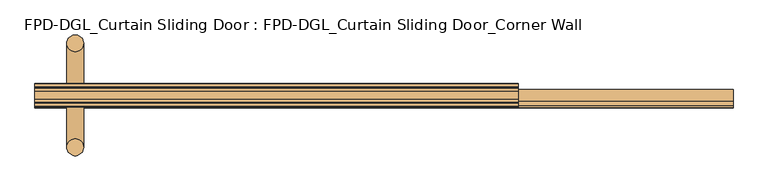
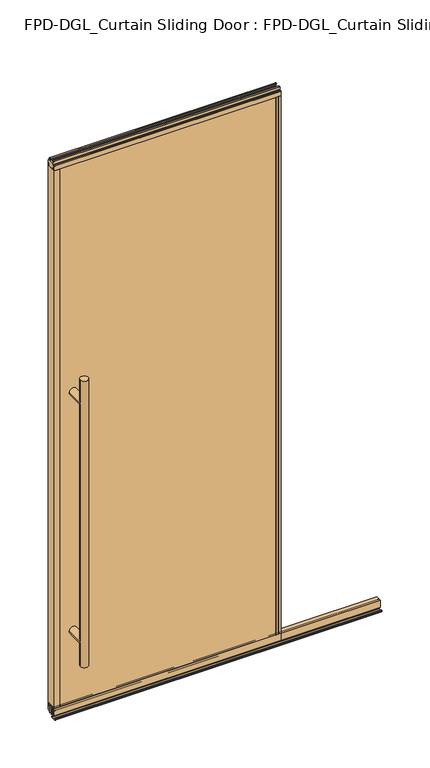
"""IFC4 building model written with IfcOpenShell, lengths in millimetres: door geometry, FPD-DGL_Curtain Sliding Door : FPD-DGL_Curtain Sliding Door_Corner Wall."""

from ifc_helpers import new_model, si_unit, point, frame, frame_2d, origin, place, context, project, spatial, polyline, circle_curve, ellipse_curve, trimmed, segment, composite_curve, outline, extrude, source, transform, mapped, element, save
from ifc_brep_helpers import plane_surface, cylinder_surface, advanced_brep


def fpd_dgl_curtain_sliding_door_fpd_dgl_curtain_sliding_door_e9ce6ea1(model_context):
    return source(origin(), model_context, "Body", "SolidModel", [
        advanced_brep(
        [(-364.728125, -28.778049, 1473.2), (-396.478125, -28.778049, 1473.2), (-364.728125, 168.4469566, 1473.2), (-396.478125, 168.4469566, 1473.2), (-364.728125, -28.778049, 254.0), (-396.478125, -28.778049, 254.0), (-364.728125, 168.4469566, 254.0), (-396.478125, 168.4469566, 254.0), (-364.728125, -28.778049, 1371.6), (-396.478125, -28.778049, 1371.6), (-396.478125, -28.778049, 355.6), (-364.728125, -28.778049, 355.6), (-364.728125, 168.4469566, 1371.6), (-364.728125, 168.4469566, 355.6), (-396.478125, 168.4469566, 355.6), (-396.478125, 168.4469566, 1371.6)],
        [
            (0, 1, circle_curve(frame((-380.603125, -28.778049, 1473.2), z_axis=(0.0, 0.0, 1.0), x_axis=(-1.0, 0.0, 0.0)), 15.875)),
            (1, 0, circle_curve(frame((-380.603125, -28.778049, 1473.2), z_axis=(0.0, 0.0, 1.0), x_axis=(-1.0, 0.0, 0.0)), 15.875)),
            (2, 3, circle_curve(frame((-380.603125, 168.4469566, 1473.2), z_axis=(0.0, 0.0, 1.0), x_axis=(-1.0, 0.0, 0.0)), 15.875)),
            (3, 2, circle_curve(frame((-380.603125, 168.4469566, 1473.2), z_axis=(0.0, 0.0, 1.0), x_axis=(-1.0, 0.0, 0.0)), 15.875)),
            (4, 5, circle_curve(frame((-380.603125, -28.778049, 254.0), z_axis=(0.0, 0.0, -1.0), x_axis=(-1.0, 0.0, 0.0)), 15.875)),
            (5, 4, circle_curve(frame((-380.603125, -28.778049, 254.0), z_axis=(0.0, 0.0, -1.0), x_axis=(-1.0, 0.0, 0.0)), 15.875)),
            (6, 7, circle_curve(frame((-380.603125, 168.4469566, 254.0), z_axis=(0.0, 0.0, -1.0), x_axis=(-1.0, 0.0, 0.0)), 15.875)),
            (7, 6, circle_curve(frame((-380.603125, 168.4469566, 254.0), z_axis=(0.0, 0.0, -1.0), x_axis=(-1.0, 0.0, 0.0)), 15.875)),
            (0, 8),
            (8, 9, ellipse_curve(frame((-380.603125, -28.778049, 1371.6), z_axis=(0.0, -0.7071067811865525, 0.7071067811865427), x_axis=(0.0, 0.7071067811865427, 0.7071067811865523)), 22.4506403, 15.875)),
            (9, 1),
            (5, 10),
            (10, 11, ellipse_curve(frame((-380.603125, -28.778049, 355.6), z_axis=(0.0, -0.7071067811865525, -0.7071067811865427), x_axis=(0.0, -0.7071067811865427, 0.7071067811865523)), 22.4506403, 15.875)),
            (11, 4),
            (8, 11),
            (11, 10, ellipse_curve(frame((-380.603125, -28.778049, 355.6), z_axis=(0.0, -0.7071067811865427, 0.7071067811865525), x_axis=(0.0, 0.7071067811865525, 0.7071067811865425)), 22.4506403, 15.875)),
            (10, 9),
            (9, 8, ellipse_curve(frame((-380.603125, -28.778049, 1371.6), z_axis=(0.0, -0.7071067811865427, -0.7071067811865525), x_axis=(0.0, -0.7071067811865525, 0.7071067811865425)), 22.4506403, 15.875)),
            (2, 12),
            (12, 13),
            (13, 6),
            (7, 14),
            (14, 15),
            (15, 3),
            (15, 12, ellipse_curve(frame((-380.603125, 168.4469566, 1371.6), z_axis=(0.0, 0.7071067811865427, 0.7071067811865525), x_axis=(0.0, -0.7071067811865525, 0.7071067811865425)), 22.4506403, 15.875)),
            (13, 14, ellipse_curve(frame((-380.603125, 168.4469566, 355.6), z_axis=(0.0, 0.7071067811865427, -0.7071067811865525), x_axis=(0.0, 0.7071067811865525, 0.7071067811865425)), 22.4506403, 15.875)),
            (12, 15, ellipse_curve(frame((-380.603125, 168.4469566, 1371.6), z_axis=(0.0, 0.7071067811865525, -0.7071067811865427), x_axis=(0.0, 0.7071067811865427, 0.7071067811865523)), 22.4506403, 15.875)),
            (14, 13, ellipse_curve(frame((-380.603125, 168.4469566, 355.6), z_axis=(0.0, 0.7071067811865525, 0.7071067811865427), x_axis=(0.0, -0.7071067811865427, 0.7071067811865523)), 22.4506403, 15.875)),
            (9, 15),
            (12, 8),
            (10, 14),
            (13, 11),
        ],
        [
            plane_surface(frame((-281.4957243, 69.85, 1473.2), z_axis=(0.0, 0.0, 1.0), x_axis=(0.0, -1.0, 0.0))),
            plane_surface(frame((-281.4957243, 69.85, 254.0), z_axis=(0.0, 0.0, -1.0), x_axis=(0.0, -1.0, 0.0))),
            cylinder_surface(frame((-380.603125, -28.778049, 1473.2), z_axis=(0.0, 0.0, 1.0), x_axis=(-1.0, 0.0, 0.0)), 15.875),
            cylinder_surface(frame((-380.603125, 168.4469566, 1473.2), z_axis=(0.0, 0.0, 1.0), x_axis=(-1.0, 0.0, 0.0)), 15.875),
            cylinder_surface(frame((-380.603125, 168.4469566, 1371.6), z_axis=(0.0, -1.0, 0.0), x_axis=(1.0, 0.0, 0.0)), 15.875),
            cylinder_surface(frame((-380.603125, 69.85, 355.6), z_axis=(0.0, -1.0, 0.0), x_axis=(1.0, 0.0, 0.0)), 15.875),
        ],
        [
            (0, [[1, 2]]),
            (0, [[3, 4]]),
            (1, [[5, 6]]),
            (1, [[7, 8]]),
            (2, [[-1, 9, 10, 11]]),
            (2, [[-6, 12, 13, 14]]),
            (2, [[15, 16, 17, 18]]),
            (2, [[-2, -11, -17, -12, -5, -14, -15, -9]]),
            (3, [[-3, 19, 20, 21, -8, 22, 23, 24]]),
            (3, [[-4, -24, 25, -19]]),
            (3, [[-7, -21, 26, -22]]),
            (3, [[-20, 27, -23, 28]]),
            (4, [[29, -27, 30, -18]]),
            (4, [[-29, -10, -30, -25]]),
            (5, [[31, -26, 32, -13]]),
            (5, [[-31, -16, -32, -28]]),
        ],
    ),
        extrude(outline(composite_curve([segment(trimmed(circle_curve(frame_2d((64.8685794, 1.1714386)), 1.1684), [point((66.0369794, 1.1714386))], [point((64.8685794, 0.0030387))], False, "CARTESIAN"), True, "CONTINUOUS"), segment(polyline([(64.8685794, 0.0030387), (47.1901797, 0.0030387)]), True, "CONTINUOUS"), segment(trimmed(circle_curve(frame_2d((47.1901797, 1.1714386)), 1.1684), [point((47.1901797, 0.0030387))], [point((46.0217797, 1.1714386))], False, "CARTESIAN"), True, "CONTINUOUS"), segment(polyline([(46.0217797, 1.1714386), (46.0217797, 4.0416386)]), True, "CONTINUOUS"), segment(trimmed(circle_curve(frame_2d((47.1901797, 4.0416386)), 1.1684), [point((46.0217797, 4.0416386))], [point((47.1901797, 5.2100386))], False, "CARTESIAN"), True, "CONTINUOUS"), segment(polyline([(47.1901797, 5.2100386), (49.7788569, 5.2100386), (49.7788569, 4.4232339), (46.7837797, 4.4232339), (46.7837797, 0.7650387), (65.2622794, 0.7650387), (65.2622794, 4.3138948), (62.5762294, 4.3138948), (62.5762294, 5.1338386), (65.2836188, 5.1338386)]), True, "CONTINUOUS"), segment(trimmed(circle_curve(frame_2d((64.8685794, 4.0416386)), 1.1684), [point((65.2836188, 5.1338386))], [point((66.0369794, 4.0416386))], False, "CARTESIAN"), True, "CONTINUOUS"), segment(polyline([(66.0369794, 4.0416386), (66.0369794, 1.1714386)]), True, "CONTINUOUS")], self_intersect=False)), frame((-456.803125, 0.0, 0.0), z_axis=(1.0, 0.0, 0.0), x_axis=(0.0, 1.0, 0.0)), (0.0, 0.0, 1.0), 1320.00625),
        extrude(outline(composite_curve([segment(polyline([(80.8146139, 41.6030387), (80.8146139, 11.6839647), (79.8146139, 11.6839647), (79.8146139, 33.5017657), (78.4247815, 33.5017657), (78.4247815, 34.3040626), (79.8146139, 34.3040626), (79.8146139, 35.6040627), (69.0146138, 35.6040627), (69.0146138, 34.3040626), (70.4044462, 34.3040626), (70.4044462, 33.5017657), (69.0146138, 33.5017657), (69.0146138, 11.6839647), (67.4146135, 11.6839647), (67.4146135, 39.1243868)]), True, "CONTINUOUS"), segment(trimmed(circle_curve(frame_2d((66.4357402, 39.1243868)), 0.9788733), [point((67.4146135, 39.1243868))], [point((66.4357402, 40.1032601))], True, "CARTESIAN"), True, "CONTINUOUS"), segment(polyline([(66.4357402, 40.1032601), (61.3469627, 40.1032601)]), True, "CONTINUOUS"), segment(trimmed(circle_curve(frame_2d((61.3469627, 39.1709995)), 0.9322606), [point((61.3469627, 40.1032601))], [point((60.414702, 39.1709995))], True, "CARTESIAN"), True, "CONTINUOUS"), segment(polyline([(60.414702, 39.1709995), (60.414702, 11.6839647), (58.9146141, 11.6839647), (58.9146141, 41.6030387), (80.8146139, 41.6030387)]), True, "CONTINUOUS")], self_intersect=False)), frame((-456.803125, 0.0, 0.0), z_axis=(1.0, 0.0, 0.0), x_axis=(0.0, 1.0, 0.0)), (0.0, 0.0, 1.0), 1320.00625),
        extrude(outline(composite_curve([segment(polyline([(55.5258097, 48.6471016), (84.1741903, 48.6471016), (84.1741903, 47.6299627), (82.8071771, 47.6299627), (82.8071771, 41.3613764)]), True, "CONTINUOUS"), segment(trimmed(circle_curve(frame_2d((85.122652, 41.3613764)), 2.3154748), [point((82.8071771, 41.3613764))], [point((85.122652, 39.0459016))], True, "CARTESIAN"), True, "CONTINUOUS"), segment(polyline([(85.122652, 39.0459016), (90.1103754, 39.0522555)]), True, "CONTINUOUS"), segment(trimmed(circle_curve(frame_2d((90.012177, 39.8079016)), 0.762), [point((90.1103754, 39.0522555))], [point((90.774177, 39.8079016))], True, "CARTESIAN"), True, "CONTINUOUS"), segment(polyline([(90.774177, 39.8079016), (90.774177, 48.6471016), (92.0741745, 48.6471016), (92.0741745, 19.0059017), (82.9527622, 19.0059017), (82.9527622, 15.875), (81.0484721, 15.875), (81.0484721, 47.0470737), (58.6515279, 47.0470737), (58.6515279, 15.875), (56.7472378, 15.875), (56.7472378, 19.0059017), (47.6258255, 19.0059017), (47.6258255, 48.6471016), (48.925823, 48.6471016), (48.925823, 39.8079016)]), True, "CONTINUOUS"), segment(trimmed(circle_curve(frame_2d((49.687823, 39.8079016)), 0.762), [point((48.925823, 39.8079016))], [point((49.5896246, 39.0522555))], True, "CARTESIAN"), True, "CONTINUOUS"), segment(polyline([(49.5896246, 39.0522555), (54.577348, 39.0459016)]), True, "CONTINUOUS"), segment(trimmed(circle_curve(frame_2d((54.577348, 41.3613764)), 2.3154748), [point((54.577348, 39.0459016))], [point((56.8928229, 41.3613764))], True, "CARTESIAN"), True, "CONTINUOUS"), segment(polyline([(56.8928229, 41.3613764), (56.8928229, 47.6299627), (55.5258097, 47.6299627), (55.5258097, 48.6471016)]), True, "CONTINUOUS")], self_intersect=False)), frame((-456.803125, 0.0, 0.0), z_axis=(1.0, 0.0, 0.0), x_axis=(0.0, 1.0, 0.0)), (0.0, 0.0, 1.0), 913.60625),
        extrude(outline(composite_curve([segment(polyline([(61.4500175, 2373.0296458), (61.4500175, 2371.0296498), (57.8500248, 2371.0296498), (57.8500248, 2362.5296668)]), True, "CONTINUOUS"), segment(trimmed(circle_curve(frame_2d((58.3500238, 2362.5296668)), 0.499999), [point((57.8500248, 2362.5296668))], [point((58.3500238, 2362.0296678))], True, "CARTESIAN"), True, "CONTINUOUS"), segment(polyline([(58.3500238, 2362.0296678), (81.3499762, 2362.0296678)]), True, "CONTINUOUS"), segment(trimmed(circle_curve(frame_2d((81.3499762, 2362.5296668)), 0.499999), [point((81.3499762, 2362.0296678))], [point((81.8499752, 2362.5296668))], True, "CARTESIAN"), True, "CONTINUOUS"), segment(polyline([(81.8499752, 2362.5296668), (81.8499752, 2371.0296498), (78.2499825, 2371.0296498), (78.2499825, 2373.0296458), (83.2546588, 2373.0296458)]), True, "CONTINUOUS"), segment(trimmed(circle_curve(frame_2d((83.2546588, 2372.4343333)), 0.5953125), [point((83.2546588, 2373.0296458))], [point((83.8499713, 2372.4343333))], False, "CARTESIAN"), True, "CONTINUOUS"), segment(polyline([(83.8499713, 2372.4343333), (83.8499713, 2361.0663317)]), True, "CONTINUOUS"), segment(trimmed(circle_curve(frame_2d((85.7690752, 2361.0663317)), 1.919104), [point((83.8499713, 2361.0663317))], [point((85.7690752, 2359.1472277))], True, "CARTESIAN"), True, "CONTINUOUS"), segment(polyline([(85.7690752, 2359.1472277), (91.2749567, 2359.1472277)]), True, "CONTINUOUS"), segment(trimmed(circle_curve(frame_2d((91.2749567, 2358.3472293)), 0.7999984), [point((91.2749567, 2359.1472277))], [point((92.0749551, 2358.3472293))], False, "CARTESIAN"), True, "CONTINUOUS"), segment(polyline([(92.0749551, 2358.3472293), (92.0749551, 2339.4622278), (90.7749577, 2339.4622278), (90.7749577, 2349.5622078)]), True, "CONTINUOUS"), segment(trimmed(circle_curve(frame_2d((90.2749587, 2349.5622078)), 0.499999), [point((90.7749577, 2349.5622078))], [point((90.2749587, 2350.0622068))], True, "CARTESIAN"), True, "CONTINUOUS"), segment(polyline([(90.2749587, 2350.0622068), (84.1749714, 2350.0622068), (84.1749714, 2339.4622278), (55.5250289, 2339.4622278), (55.5250289, 2350.0622068), (49.4250413, 2350.0622068)]), True, "CONTINUOUS"), segment(trimmed(circle_curve(frame_2d((49.4250413, 2349.5622078)), 0.499999), [point((49.4250413, 2350.0622068))], [point((48.9250423, 2349.5622078))], True, "CARTESIAN"), True, "CONTINUOUS"), segment(polyline([(48.9250423, 2349.5622078), (48.9250423, 2339.4622278), (47.6250446, 2339.4622278), (47.6250446, 2358.3472293)]), True, "CONTINUOUS"), segment(trimmed(circle_curve(frame_2d((48.4250432, 2358.3472293)), 0.7999985), [point((47.6250446, 2358.3472293))], [point((48.4250432, 2359.1472278))], False, "CARTESIAN"), True, "CONTINUOUS"), segment(polyline([(48.4250432, 2359.1472278), (53.9309248, 2359.1472278)]), True, "CONTINUOUS"), segment(trimmed(circle_curve(frame_2d((53.9309248, 2361.0663318)), 1.919104), [point((53.9309248, 2359.1472278))], [point((55.8500287, 2361.0663318))], True, "CARTESIAN"), True, "CONTINUOUS"), segment(polyline([(55.8500287, 2361.0663318), (55.8500287, 2372.4343333)]), True, "CONTINUOUS"), segment(trimmed(circle_curve(frame_2d((56.4453412, 2372.4343333)), 0.5953125), [point((55.8500287, 2372.4343333))], [point((56.4453412, 2373.0296458))], False, "CARTESIAN"), True, "CONTINUOUS"), segment(polyline([(56.4453412, 2373.0296458), (61.4500175, 2373.0296458)]), True, "CONTINUOUS")], self_intersect=False)), frame((-456.803125, 0.0, 0.0), z_axis=(1.0, 0.0, 0.0), x_axis=(0.0, 1.0, 0.0)), (0.0, 0.0, 1.0), 913.60625),
        extrude(outline(polyline([(446.8662761, 90.7765993), (446.8662761, 84.175), (-446.8662761, 84.175), (-446.8662761, 90.7765993), (446.8662761, 90.7765993)])), frame((0.0, 0.0, 39.1580021), z_axis=(0.0, 0.0, 1.0), x_axis=(1.0, 0.0, 0.0)), (0.0, 0.0, 1.0), 2310.6376625),
        extrude(outline(polyline([(-446.8662761, 55.525), (446.8662761, 55.525), (446.8662761, 48.9234007), (-446.8662761, 48.9234007), (-446.8662761, 55.525)])), frame((0.0, 0.0, 39.1580021), z_axis=(0.0, 0.0, 1.0), x_axis=(1.0, 0.0, 0.0)), (0.0, 0.0, 1.0), 2310.6376625),
        extrude(outline(composite_curve([segment(polyline([(-456.803125, 92.075), (-436.2662761, 92.075), (-436.2662761, 90.7765993), (-446.3582761, 90.7765993)]), True, "CONTINUOUS"), segment(trimmed(circle_curve(frame_2d((-446.3582761, 90.2685993)), 0.508), [point((-446.3582761, 90.7765993))], [point((-446.8662761, 90.2685993))], True, "CARTESIAN"), True, "CONTINUOUS"), segment(polyline([(-446.8662761, 90.2685993), (-446.8662761, 88.2904), (-448.0662759, 88.2904), (-448.0662759, 90.7702), (-454.9997249, 90.7702), (-454.9997249, 79.095198), (-448.0662759, 79.095198), (-448.0662759, 84.175), (-436.2662761, 84.175), (-436.2662761, 55.525), (-448.0662759, 55.525), (-448.0662759, 60.604802), (-454.9997249, 60.604802), (-454.9997249, 48.9298), (-448.0662759, 48.9298), (-448.0662759, 51.4096), (-446.8662761, 51.4096), (-446.8662761, 49.4525937)]), True, "CONTINUOUS"), segment(trimmed(circle_curve(frame_2d((-446.3370824, 49.4525937)), 0.5291937), [point((-446.8662761, 49.4525937))], [point((-446.3370824, 48.9234))], True, "CARTESIAN"), True, "CONTINUOUS"), segment(polyline([(-446.3370824, 48.9234), (-436.2662761, 48.9234), (-436.2662761, 47.625), (-456.803125, 47.625), (-456.803125, 92.075)]), True, "CONTINUOUS")], self_intersect=False)), frame((0.0, 0.0, 48.6471016), z_axis=(0.0, 0.0, 1.0), x_axis=(1.0, 0.0, 0.0)), (0.0, 0.0, 1.0), 2290.8151262),
        extrude(outline(composite_curve([segment(polyline([(456.803125, 92.075), (456.803125, 47.625), (436.266276, 47.625), (436.266276, 48.9234), (446.3370824, 48.9234)]), True, "CONTINUOUS"), segment(trimmed(circle_curve(frame_2d((446.3370824, 49.4525937)), 0.5291937), [point((446.3370824, 48.9234))], [point((446.8662761, 49.4525937))], True, "CARTESIAN"), True, "CONTINUOUS"), segment(polyline([(446.8662761, 49.4525937), (446.8662761, 51.4096), (448.0662759, 51.4096), (448.0662759, 48.9298), (454.9997249, 48.9298), (454.9997249, 60.604802), (448.0662759, 60.604802), (448.0662759, 55.525), (436.2662761, 55.525), (436.2662761, 84.175), (448.0662759, 84.175), (448.0662759, 79.095198), (454.9997249, 79.095198), (454.9997249, 90.7702), (448.0662759, 90.7702), (448.0662759, 88.2904), (446.8662761, 88.2904), (446.8662761, 90.2685993)]), True, "CONTINUOUS"), segment(trimmed(circle_curve(frame_2d((446.3582761, 90.2685993)), 0.508), [point((446.8662761, 90.2685993))], [point((446.3582761, 90.7765993))], True, "CARTESIAN"), True, "CONTINUOUS"), segment(polyline([(446.3582761, 90.7765993), (436.2662761, 90.7765993), (436.2662761, 92.075), (456.803125, 92.075)]), True, "CONTINUOUS")], self_intersect=False)), frame((0.0, 0.0, 48.6471016), z_axis=(0.0, 0.0, 1.0), x_axis=(1.0, 0.0, 0.0)), (0.0, 0.0, 1.0), 2290.8151262),
    ])


if __name__ == "__main__":
    model = new_model("IFC4")
    model_context = context("Model", 3, world=origin())
    ifc_project = project(units=[si_unit("LENGTHUNIT", "METRE", prefix="MILLI")], contexts=[model_context])
    site = spatial("IfcSite", under=ifc_project)
    building = spatial("IfcBuilding", under=site)
    placement = place(None, origin())
    fpd_dgl_curtain_sliding_door_fpd_dgl_curtain_sliding_door_shape = fpd_dgl_curtain_sliding_door_fpd_dgl_curtain_sliding_door_e9ce6ea1(model_context)
    element("IfcDoor", 1, ObjectType="FPD-DGL_Curtain Sliding Door : FPD-DGL_Curtain Sliding Door_Corner Wall", at=placement, inside=building, context=model_context, shape_type="MappedRepresentation", body=[
        mapped(fpd_dgl_curtain_sliding_door_fpd_dgl_curtain_sliding_door_shape, transform((0.0, 0.0, 0.0), x_axis=(1.0, 0.0, 0.0), y_axis=(0.0, 1.0, 0.0), z_axis=(0.0, 0.0, 1.0))),
    ])
    save(model, "model.ifc")
